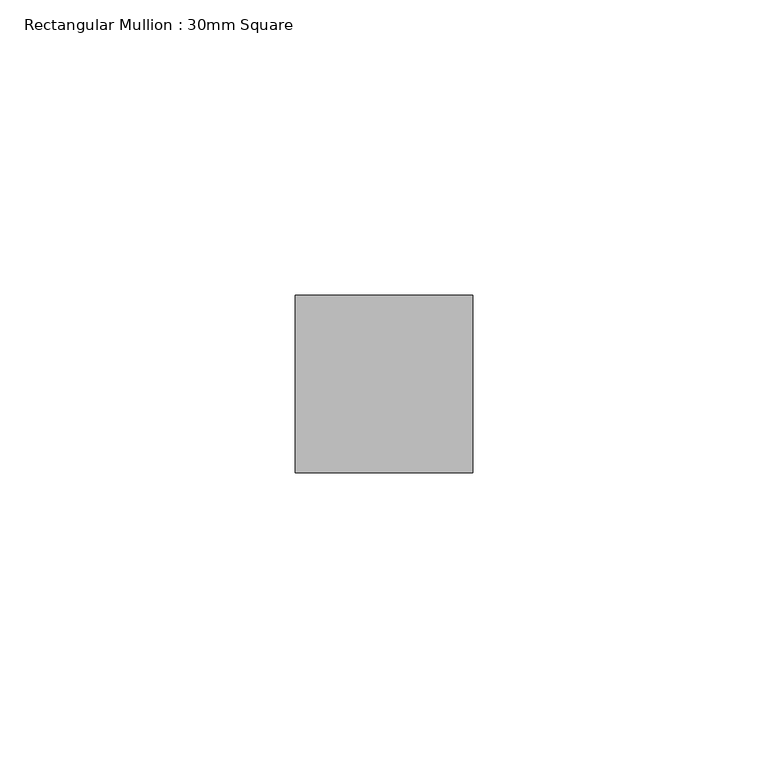
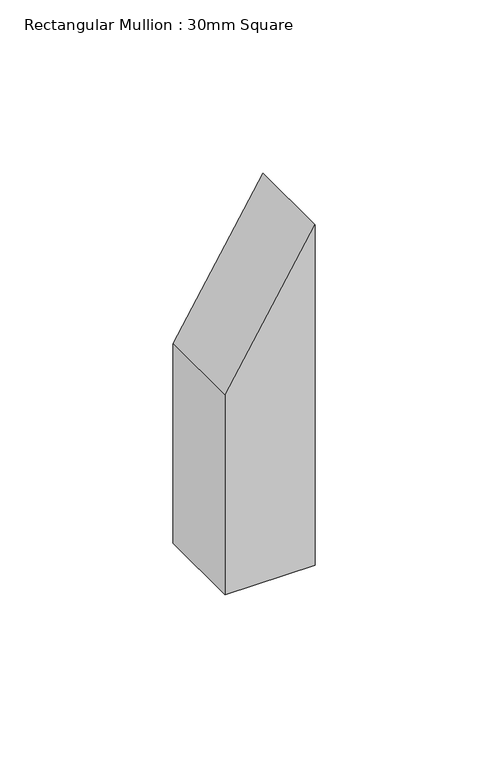
"""IFC4 building model written with IfcOpenShell, lengths in millimetres: member geometry, Rectangular Mullion : 30mm Square."""

from ifc_helpers import new_model, si_unit, frame, origin, place, context, project, spatial, polyline, outline, extrude, source, transform, mapped, element, save


def rectangular_mullion_30mm_square_74d1563a(model_context):
    return source(origin(), model_context, "Body", "SweptSolid", [
        extrude(outline(polyline([(0.0, 0.0), (-49.5905517, -30.0), (-120.0, -30.0), (-120.0, 0.0), (0.0, 0.0)])), frame((0.0, -15.0, 0.0), z_axis=(0.0, 1.0, 0.0), x_axis=(0.0, 0.0, 1.0)), (0.0, 0.0, 1.0), 30.0),
    ])


if __name__ == "__main__":
    model = new_model("IFC4")
    model_context = context("Model", 3, world=origin())
    ifc_project = project(units=[si_unit("LENGTHUNIT", "METRE", prefix="MILLI")], contexts=[model_context])
    site = spatial("IfcSite", under=ifc_project)
    building = spatial("IfcBuilding", under=site)
    placement = place(None, origin())
    rectangular_mullion_30mm_square_shape = rectangular_mullion_30mm_square_74d1563a(model_context)
    element("IfcMember", 1, ObjectType="Rectangular Mullion : 30mm Square", at=placement, inside=building, context=model_context, shape_type="MappedRepresentation", body=[
        mapped(rectangular_mullion_30mm_square_shape, transform((0.0, 0.0, 0.0), x_axis=(1.0, 0.0, 0.0), y_axis=(0.0, 1.0, 0.0), z_axis=(0.0, 0.0, 1.0))),
    ])
    save(model, "model.ifc")
